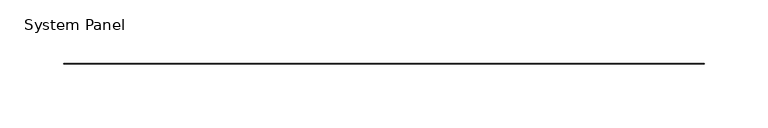
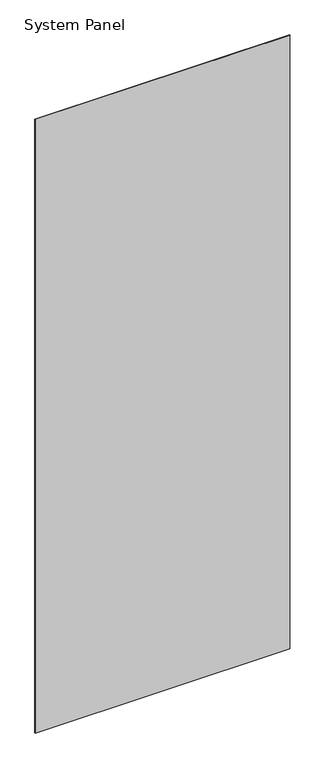
"""IFC4 building model written with IfcOpenShell, lengths in millimetres: plate geometry, System Panel."""

from ifc_helpers import new_model, si_unit, origin, origin_with_axes, place, context, project, spatial, polyline, outline, extrude, source, transform, mapped, element, save


def system_panel_631e6d4d(model_context):
    return source(origin(), model_context, "Body", "SweptSolid", [
        extrude(outline(polyline([(252.3490002, -0.2976563), (-252.3490002, -0.2976563), (-252.3490002, 0.2976563), (252.3490002, 0.2976563), (252.3490002, -0.2976563)])), origin_with_axes(), (0.0, 0.0, 1.0), 1285.875),
    ])


if __name__ == "__main__":
    model = new_model("IFC4")
    model_context = context("Model", 3, world=origin())
    ifc_project = project(units=[si_unit("LENGTHUNIT", "METRE", prefix="MILLI")], contexts=[model_context])
    site = spatial("IfcSite", under=ifc_project)
    building = spatial("IfcBuilding", under=site)
    placement = place(None, origin())
    system_panel_shape = system_panel_631e6d4d(model_context)
    element("IfcPlate", 1, ObjectType="System Panel", at=placement, inside=building, context=model_context, shape_type="MappedRepresentation", body=[
        mapped(system_panel_shape, transform((0.0, 0.0, 0.0), x_axis=(1.0, 0.0, 0.0), y_axis=(0.0, 1.0, 0.0), z_axis=(0.0, 0.0, 1.0))),
    ])
    save(model, "model.ifc")
